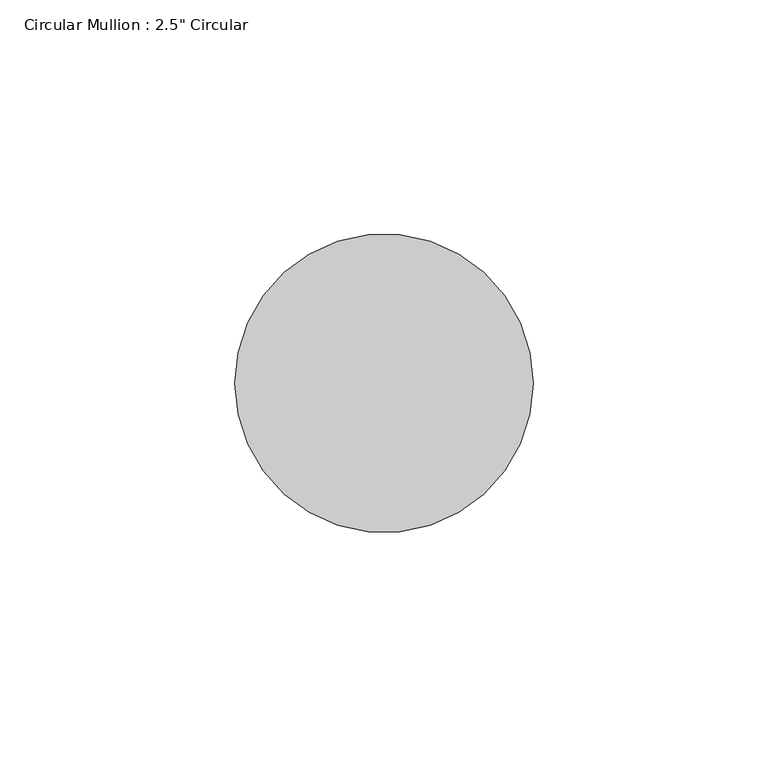
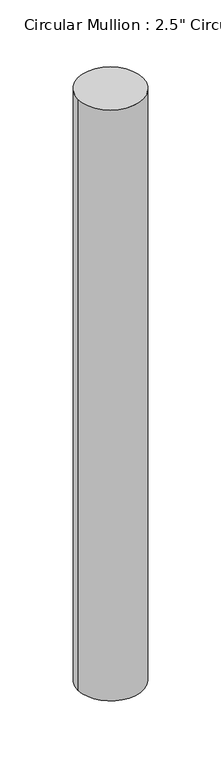
"""IFC4 building model written with IfcOpenShell, lengths in millimetres: member geometry."""

from ifc_helpers import new_model, si_unit, point, frame, origin, origin_2d, place, context, project, spatial, circle_curve, trimmed, segment, composite_curve, outline, extrude, source, transform, mapped, element, save


def member_a477ea55(model_context):
    return source(origin(), model_context, "Body", "SweptSolid", [
        extrude(outline(composite_curve([segment(trimmed(circle_curve(origin_2d(), 31.75), [point((31.75, 0.0))], [point((-31.75, 0.0))], False, "CARTESIAN"), True, "CONTINUOUS"), segment(trimmed(circle_curve(origin_2d(), 31.75), [point((-31.75, 0.0))], [point((31.75, 0.0))], False, "CARTESIAN"), True, "CONTINUOUS")], self_intersect=False)), frame((0.0, 0.0, -609.6), z_axis=(0.0, 0.0, 1.0), x_axis=(1.0, 0.0, 0.0)), (0.0, 0.0, 1.0), 609.6),
    ])


if __name__ == "__main__":
    model = new_model("IFC4")
    model_context = context("Model", 3, world=origin())
    ifc_project = project(units=[si_unit("LENGTHUNIT", "METRE", prefix="MILLI")], contexts=[model_context])
    site = spatial("IfcSite", under=ifc_project)
    building = spatial("IfcBuilding", under=site)
    placement = place(None, origin())
    member_shape = member_a477ea55(model_context)
    element("IfcMember", 1, ObjectType="Circular Mullion : 2.5\" Circular", at=placement, inside=building, context=model_context, shape_type="MappedRepresentation", body=[
        mapped(member_shape, transform((0.0, 0.0, 0.0), x_axis=(1.0, 0.0, 0.0), y_axis=(0.0, 1.0, 0.0), z_axis=(0.0, 0.0, 1.0))),
    ])
    save(model, "model.ifc")
